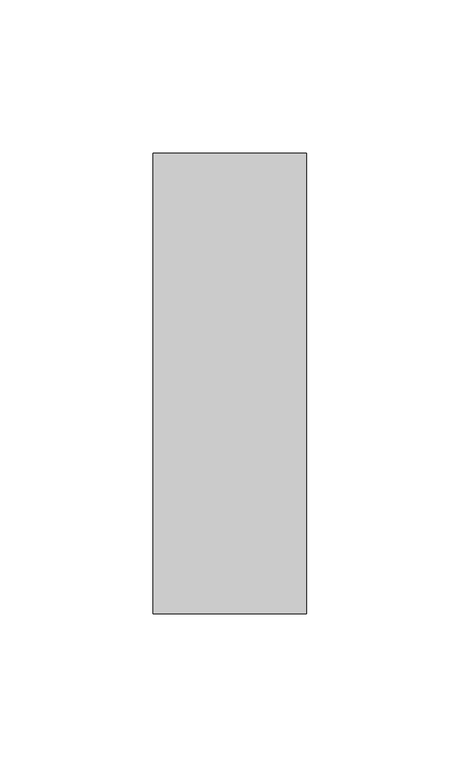
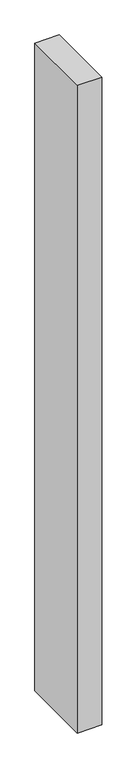
"""IFC4 building model written with IfcOpenShell, lengths in millimetres: member geometry."""

from ifc_helpers import new_model, si_unit, frame, origin, place, context, project, spatial, polyline, outline, extrude, source, transform, mapped, element, save


def member_80d7b263(model_context):
    return source(origin(), model_context, "Body", "SweptSolid", [
        extrude(outline(polyline([(25.0, 75.0), (25.0, -75.0), (-25.0, -75.0), (-25.0, 75.0), (25.0, 75.0)])), frame((0.0, 0.0, -1400.0), z_axis=(0.0, 0.0, 1.0), x_axis=(1.0, 0.0, 0.0)), (0.0, 0.0, 1.0), 1400.0),
    ])


if __name__ == "__main__":
    model = new_model("IFC4")
    model_context = context("Model", 3, world=origin())
    ifc_project = project(units=[si_unit("LENGTHUNIT", "METRE", prefix="MILLI")], contexts=[model_context])
    site = spatial("IfcSite", under=ifc_project)
    building = spatial("IfcBuilding", under=site)
    placement = place(None, origin())
    member_shape = member_80d7b263(model_context)
    element("IfcMember", 1, at=placement, inside=building, context=model_context, shape_type="MappedRepresentation", body=[
        mapped(member_shape, transform((0.0, 0.0, 0.0), x_axis=(1.0, 0.0, 0.0), y_axis=(0.0, 1.0, 0.0), z_axis=(0.0, 0.0, 1.0))),
    ])
    save(model, "model.ifc")
